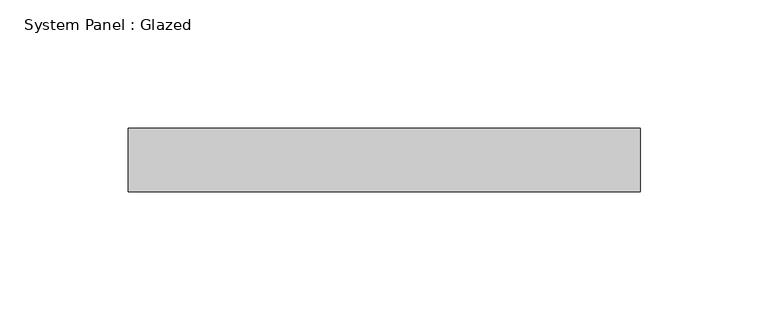
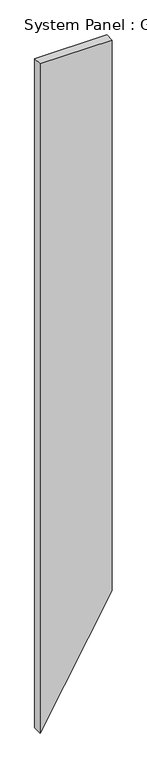
"""IFC4 building model written with IfcOpenShell, lengths in millimetres: plate geometry, System Panel : Glazed."""

from ifc_helpers import new_model, si_unit, frame, origin, place, context, project, spatial, polyline, outline, extrude, source, transform, mapped, element, save


def system_panel_glazed_c881ca02(model_context):
    return source(origin(), model_context, "Body", "SweptSolid", [
        extrude(outline(polyline([(0.0, -100.0), (346.4101615, 100.0), (1960.7695149, 100.0), (1960.7695149, -100.0), (0.0, -100.0)])), frame((0.0, 24.5, 0.0), z_axis=(0.0, 1.0, 0.0), x_axis=(0.0, 0.0, 1.0)), (0.0, 0.0, 1.0), 25.0),
    ])


if __name__ == "__main__":
    model = new_model("IFC4")
    model_context = context("Model", 3, world=origin())
    ifc_project = project(units=[si_unit("LENGTHUNIT", "METRE", prefix="MILLI")], contexts=[model_context])
    site = spatial("IfcSite", under=ifc_project)
    building = spatial("IfcBuilding", under=site)
    placement = place(None, origin())
    system_panel_glazed_shape = system_panel_glazed_c881ca02(model_context)
    element("IfcPlate", 1, ObjectType="System Panel : Glazed", at=placement, inside=building, context=model_context, shape_type="MappedRepresentation", body=[
        mapped(system_panel_glazed_shape, transform((0.0, 0.0, 0.0), x_axis=(1.0, 0.0, 0.0), y_axis=(0.0, 1.0, 0.0), z_axis=(0.0, 0.0, 1.0))),
    ])
    save(model, "model.ifc")
